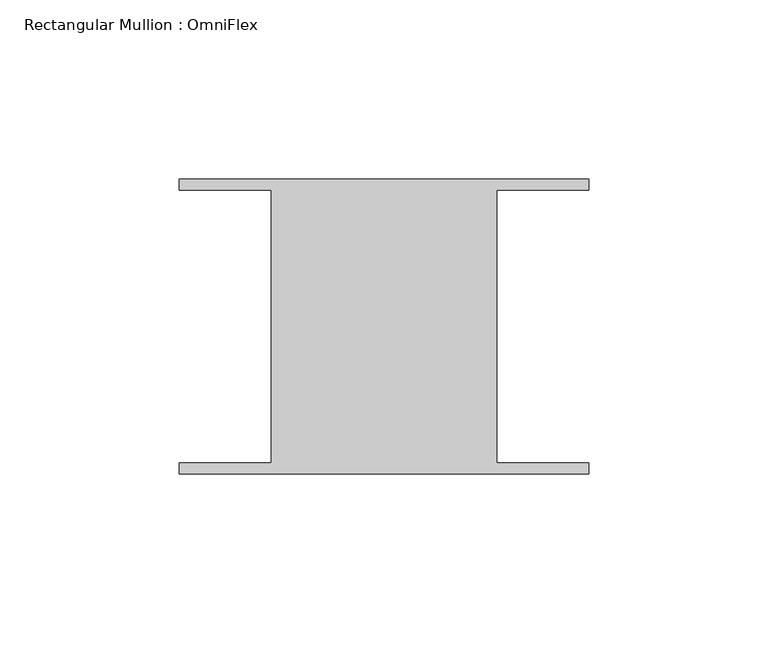
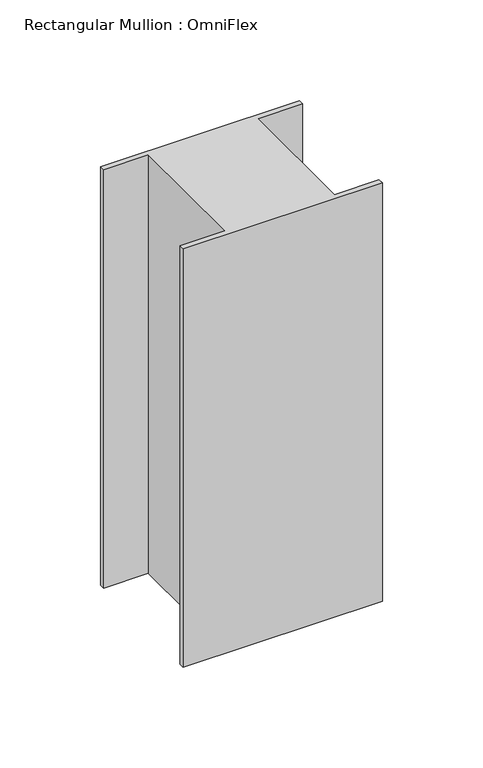
"""IFC4 building model written with IfcOpenShell, lengths in millimetres: member geometry, Rectangular Mullion : OmniFlex."""

from ifc_helpers import new_model, si_unit, frame, origin, place, context, project, spatial, polyline, outline, extrude, source, transform, mapped, element, save


def rectangular_mullion_omniflex_8faf3293(model_context):
    return source(origin(), model_context, "Body", "SweptSolid", [
        extrude(outline(polyline([(-57.15, 38.0620588), (-57.15, 41.13784), (57.15, 41.13784), (57.15, 38.0620587), (31.4523437, 38.0620588), (31.4523437, -38.0620587), (57.15, -38.0620588), (57.15, -41.13784), (-57.15, -41.13784), (-57.15, -38.0620587), (-31.4523438, -38.0620587), (-31.4523438, 38.0620588), (-57.15, 38.0620588)])), frame((0.0, 0.0, -254.0), z_axis=(0.0, 0.0, 1.0), x_axis=(1.0, 0.0, 0.0)), (0.0, 0.0, 1.0), 254.0),
    ])


if __name__ == "__main__":
    model = new_model("IFC4")
    model_context = context("Model", 3, world=origin())
    ifc_project = project(units=[si_unit("LENGTHUNIT", "METRE", prefix="MILLI")], contexts=[model_context])
    site = spatial("IfcSite", under=ifc_project)
    building = spatial("IfcBuilding", under=site)
    placement = place(None, origin())
    rectangular_mullion_omniflex_shape = rectangular_mullion_omniflex_8faf3293(model_context)
    element("IfcMember", 1, ObjectType="Rectangular Mullion : OmniFlex", at=placement, inside=building, context=model_context, shape_type="MappedRepresentation", body=[
        mapped(rectangular_mullion_omniflex_shape, transform((0.0, 0.0, 0.0), x_axis=(1.0, 0.0, 0.0), y_axis=(0.0, 1.0, 0.0), z_axis=(0.0, 0.0, 1.0))),
    ])
    save(model, "model.ifc")
